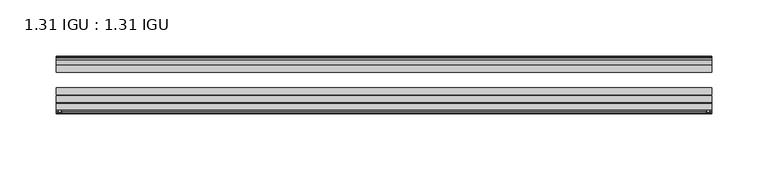
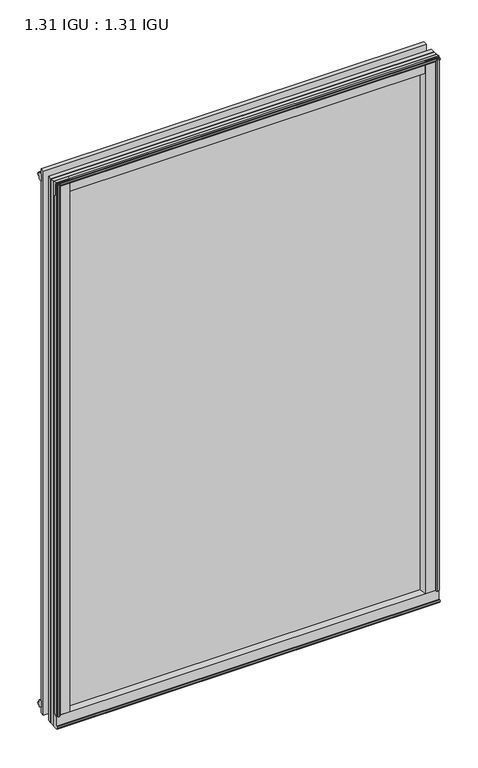
"""IFC4 building model written with IfcOpenShell, lengths in millimetres: plate geometry, 1.31 IGU : 1.31 IGU."""

from ifc_helpers import new_model, si_unit, point, frame, frame_2d, origin, origin_with_axes, place, context, project, spatial, polyline, circle_curve, trimmed, segment, composite_curve, outline, extrude, source, transform, mapped, element, save


def plate_1_31_igu_1_31_igu_1c5ef436(model_context):
    return source(origin(), model_context, "Body", "SweptSolid", [
        extrude(outline(composite_curve([segment(polyline([(287.3495906, -57.6333938), (271.1648437, -57.6333938)]), True, "CONTINUOUS"), segment(trimmed(circle_curve(frame_2d((263.8701146, -57.6547678)), 7.2947605), [point((271.1648437, -57.6333938))], [point((267.4224551, -51.2833938))], True, "CARTESIAN"), True, "CONTINUOUS"), segment(polyline([(267.4224551, -51.2833938), (290.292876, -51.2833938)]), True, "CONTINUOUS"), segment(trimmed(circle_curve(frame_2d((290.292876, -52.0707938)), 0.7874), [point((290.292876, -51.2833938))], [point((291.0744069, -51.9748338))], False, "CARTESIAN"), True, "CONTINUOUS"), segment(polyline([(291.0744069, -51.9748338), (291.7691906, -57.6333938), (289.8387906, -57.6333938), (289.3815906, -59.624458), (290.3829525, -59.3561439), (290.6261906, -60.263921), (288.5941906, -60.8083938), (286.5621906, -60.263921), (286.8054288, -59.3561439), (287.8067906, -59.624458), (287.3495906, -57.6333938)]), True, "CONTINUOUS")], self_intersect=False)), origin_with_axes(), (0.0, 0.0, 1.0), 857.25),
        extrude(outline(composite_curve([segment(polyline([(-271.4625, -57.6333937), (-287.6472469, -57.6333937), (-288.1044469, -59.624458), (-287.103085, -59.3561439), (-286.8598469, -60.263921), (-288.8918469, -60.8083937), (-290.9238469, -60.263921), (-290.6806088, -59.3561439), (-289.6792469, -59.624458), (-290.1364469, -57.6333937), (-292.0668469, -57.6333937), (-291.3720631, -51.9748338)]), True, "CONTINUOUS"), segment(trimmed(circle_curve(frame_2d((-290.5905323, -52.0707937)), 0.7874), [point((-291.3720631, -51.9748338))], [point((-290.5905323, -51.2833937))], False, "CARTESIAN"), True, "CONTINUOUS"), segment(polyline([(-290.5905323, -51.2833937), (-267.7201114, -51.2833937)]), True, "CONTINUOUS"), segment(trimmed(circle_curve(frame_2d((-264.1677708, -57.6547678)), 7.2947605), [point((-267.7201114, -51.2833937))], [point((-271.4625, -57.6333937))], True, "CARTESIAN"), True, "CONTINUOUS")], self_intersect=False)), origin_with_axes(), (0.0, 0.0, 1.0), 857.25),
        extrude(outline(polyline([(-9.7543937, -6.8579998), (-10.4009552, -9.2709998), (-11.2596632, -9.0409097), (-10.8839895, -7.6388763), (-13.1833937, -8.3819998), (-13.1833937, -11.7850089), (-17.9585937, -10.1533914), (-17.9585937, 0.6595133), (-13.1833937, -0.5079998), (-13.1833937, -5.4609998), (-10.8839895, -6.0771233), (-11.2596632, -4.6750899), (-10.4009552, -4.4449998), (-9.7543937, -6.8579998)])), frame((-292.1, 0.0, 0.0), z_axis=(1.0, 0.0, 0.0), x_axis=(0.0, 1.0, 0.0)), (0.0, 0.0, 1.0), 583.9023437),
        extrude(outline(composite_curve([segment(polyline([(-51.9748338, -19.930016), (-57.6333937, -20.6247998), (-57.6333937, -18.6943998), (-59.624458, -18.2371998), (-59.3561439, -19.2385617), (-60.263921, -19.4817998), (-60.8083937, -17.4497998), (-60.263921, -15.4177998), (-59.3561439, -15.6610379), (-59.624458, -16.6623998), (-57.6333937, -16.2051998), (-57.6333937, 0.0127002)]), True, "CONTINUOUS"), segment(trimmed(circle_curve(frame_2d((-58.1588233, 7.9620141)), 7.9666598), [point((-57.6333937, 0.0127002))], [point((-51.2833937, 3.9375717))], True, "CARTESIAN"), True, "CONTINUOUS"), segment(polyline([(-51.2833937, 3.9375717), (-51.2833937, -19.1484852)]), True, "CONTINUOUS"), segment(trimmed(circle_curve(frame_2d((-52.0707937, -19.1484852)), 0.7874), [point((-51.2833937, -19.1484852))], [point((-51.9748338, -19.930016))], False, "CARTESIAN"), True, "CONTINUOUS")], self_intersect=False)), frame((-292.1, 0.0, 0.0), z_axis=(1.0, 0.0, 0.0), x_axis=(0.0, 1.0, 0.0)), (0.0, 0.0, 1.0), 583.9023437),
        extrude(outline(polyline([(-17.9585937, 848.3533914), (-13.1833937, 849.9850089), (-13.1833937, 846.5819998), (-10.8839895, 845.8388763), (-11.2596632, 847.2409097), (-10.4009552, 847.4709998), (-9.7543937, 845.0579998), (-10.4009552, 842.6449998), (-11.2596632, 842.8750899), (-10.8839895, 844.2771233), (-13.1833937, 843.6609998), (-13.1833937, 838.7079998), (-17.9585937, 837.5404867), (-17.9585937, 848.3533914)])), frame((-292.1, 0.0, 0.0), z_axis=(1.0, 0.0, 0.0), x_axis=(0.0, 1.0, 0.0)), (0.0, 0.0, 1.0), 583.9023437),
        extrude(outline(composite_curve([segment(trimmed(circle_curve(frame_2d((-52.0707937, 857.3484852)), 0.7874), [point((-51.9748338, 858.130016))], [point((-51.2833937, 857.3484852))], False, "CARTESIAN"), True, "CONTINUOUS"), segment(polyline([(-51.2833937, 857.3484852), (-51.2833937, 834.2624283)]), True, "CONTINUOUS"), segment(trimmed(circle_curve(frame_2d((-58.1588233, 830.2379859)), 7.9666598), [point((-51.2833937, 834.2624283))], [point((-57.6333937, 838.1872998))], True, "CARTESIAN"), True, "CONTINUOUS"), segment(polyline([(-57.6333937, 838.1872998), (-57.6333937, 854.4051998), (-59.624458, 854.8623998), (-59.3561439, 853.8610379), (-60.263921, 853.6177998), (-60.8083937, 855.6497998), (-60.263921, 857.6817998), (-59.3561439, 857.4385617), (-59.624458, 856.4371998), (-57.6333937, 856.8943998), (-57.6333937, 858.8247998), (-51.9748338, 858.130016)]), True, "CONTINUOUS")], self_intersect=False)), frame((-292.1, 0.0, 0.0), z_axis=(1.0, 0.0, 0.0), x_axis=(0.0, 1.0, 0.0)), (0.0, 0.0, 1.0), 583.9023437),
        extrude(outline(polyline([(-280.6888763, -10.8839895), (-282.0909097, -11.2596632), (-282.3209998, -10.4009552), (-279.9079998, -9.7543937), (-277.4949998, -10.4009552), (-277.7250899, -11.2596632), (-279.1271233, -10.8839895), (-278.5109998, -13.1833937), (-273.5579998, -13.1833937), (-272.3904867, -17.9585937), (-283.2033914, -17.9585937), (-284.8350089, -13.1833937), (-281.4319998, -13.1833937), (-280.6888763, -10.8839895)])), origin_with_axes(), (0.0, 0.0, 1.0), 838.2),
        extrude(outline(polyline([(280.7015765, -10.8839895), (281.4447, -13.1833937), (284.8477091, -13.1833937), (283.2160916, -17.9585937), (272.4031869, -17.9585937), (273.5707, -13.1833937), (278.5237, -13.1833937), (279.1398235, -10.8839895), (277.7377901, -11.2596632), (277.5077, -10.4009552), (279.9207, -9.7543937), (282.3337, -10.4009552), (282.1036099, -11.2596632), (280.7015765, -10.8839895)])), origin_with_axes(), (0.0, 0.0, 1.0), 838.2),
        extrude(outline(polyline([(291.8023437, -17.9585937), (291.8023437, -24.3085937), (-292.1, -24.3085937), (-292.1, -17.9585937), (291.8023437, -17.9585937)])), frame((0.0, 0.0, -19.0372998), z_axis=(0.0, 0.0, 1.0), x_axis=(1.0, 0.0, 0.0)), (0.0, 0.0, 1.0), 876.2872998),
        extrude(outline(polyline([(-292.1, -44.1459937), (-292.1, -37.7959937), (291.8023437, -37.7959937), (291.8023437, -44.1459937), (-292.1, -44.1459937)])), frame((0.0, 0.0, -19.0372998), z_axis=(0.0, 0.0, 1.0), x_axis=(1.0, 0.0, 0.0)), (0.0, 0.0, 1.0), 876.2872998),
        extrude(outline(polyline([(-292.1, -51.2833937), (-292.1, -44.9333937), (291.8023437, -44.9333937), (291.8023437, -51.2833937), (-292.1, -51.2833937)])), frame((0.0, 0.0, -19.0372998), z_axis=(0.0, 0.0, 1.0), x_axis=(1.0, 0.0, 0.0)), (0.0, 0.0, 1.0), 876.2872998),
    ])


if __name__ == "__main__":
    model = new_model("IFC4")
    model_context = context("Model", 3, world=origin())
    ifc_project = project(units=[si_unit("LENGTHUNIT", "METRE", prefix="MILLI")], contexts=[model_context])
    site = spatial("IfcSite", under=ifc_project)
    building = spatial("IfcBuilding", under=site)
    placement = place(None, origin())
    plate_1_31_igu_1_31_igu_shape = plate_1_31_igu_1_31_igu_1c5ef436(model_context)
    element("IfcPlate", 1, ObjectType="1.31 IGU : 1.31 IGU", at=placement, inside=building, context=model_context, shape_type="MappedRepresentation", body=[
        mapped(plate_1_31_igu_1_31_igu_shape, transform((0.0, 0.0, 0.0), x_axis=(1.0, 0.0, 0.0), y_axis=(0.0, 1.0, 0.0), z_axis=(0.0, 0.0, 1.0))),
    ])
    save(model, "model.ifc")
